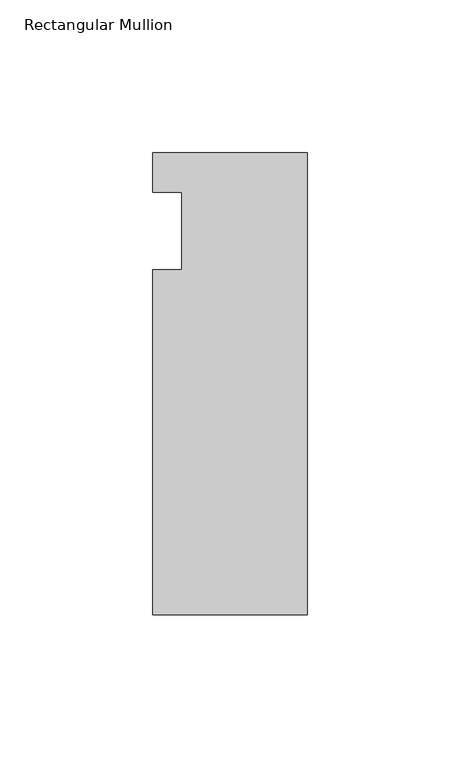
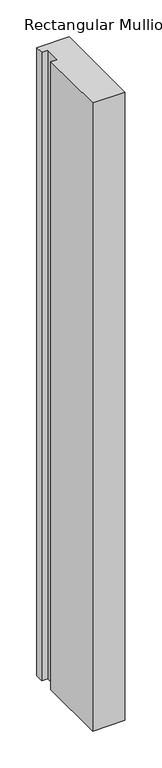
"""IFC4 building model written with IfcOpenShell, lengths in millimetres: member geometry, Rectangular Mullion."""

import ifcopenshell
import ifcopenshell.guid

model = None  # the IFC model being written
_history = None  # IfcOwnerHistory: only IFC2X3 demands one
_inside = {}  # id of a spatial element -> (the spatial element, [elements in it])
_under = {}  # id of a project, library or spatial element -> (it, [spatial elements below it])
_declared = {}  # id of a project -> (the project, [libraries it declares])
_typed = {}  # id of a type object -> (the type object, [elements of that type])
_made_of = {}  # id of a material, layer set ... -> (it, [elements and type objects made of it])


def new_model(schema):
    """Start an empty IFC model of exactly this schema.

    Asked for "IFC4X3", IfcOpenShell would pick the latest addendum, in which some entities
    have other attributes; the version numbers below select the first issue.
    IFC2X3 requires an IfcOwnerHistory on every rooted entity: one is made here for all.
    """
    global model, _history
    if schema == "IFC4X3":
        model = ifcopenshell.file(schema_version=(4, 3, 0, 0))
    else:
        model = ifcopenshell.file(schema=schema)
    _inside.clear()
    _under.clear()
    _declared.clear()
    _typed.clear()
    _made_of.clear()
    _history = None
    if model.schema == "IFC2X3":
        org = make("IfcOrganization", Name="unknown")
        user = make(
            "IfcPersonAndOrganization",
            ThePerson=make("IfcPerson", FamilyName="unknown"),
            TheOrganization=org,
        )
        app = make(
            "IfcApplication",
            ApplicationDeveloper=org,
            Version="unknown",
            ApplicationFullName="unknown",
            ApplicationIdentifier="unknown",
        )
        _history = make(
            "IfcOwnerHistory",
            OwningUser=user,
            OwningApplication=app,
            ChangeAction="ADDED",
            CreationDate=0,
        )
    return model


def make(cls, **values):
    """One entity of the class cls with the attributes given. An attribute that is None is left unset."""
    return model.create_entity(
        cls, **{name: value for name, value in values.items() if value is not None}
    )


def rooted(cls, **values):
    """An entity with a GlobalId (a new one), such as an element, a storey or a relation."""
    return make(cls, GlobalId=ifcopenshell.guid.new(), OwnerHistory=_history, **values)


def si_unit(unit_type, name, prefix=None):
    """IfcSIUnit, for example si_unit("LENGTHUNIT", "METRE", prefix="MILLI")."""
    return make("IfcSIUnit", UnitType=unit_type, Prefix=prefix, Name=name)


def assignment(units):
    """IfcUnitAssignment: the units of a project."""
    return None if units is None else make("IfcUnitAssignment", Units=units)


def point(xyz):
    """IfcCartesianPoint."""
    return None if xyz is None else make("IfcCartesianPoint", Coordinates=xyz)


def direction(xyz):
    """IfcDirection."""
    return None if xyz is None else make("IfcDirection", DirectionRatios=xyz)


def frame(location, z_axis=None, x_axis=None):
    """IfcAxis2Placement3D, a coordinate frame: its origin and axes. An axis left out is left unset."""
    return make(
        "IfcAxis2Placement3D",
        Location=point(location),
        Axis=direction(z_axis),
        RefDirection=direction(x_axis),
    )


def origin():
    """The frame at (0, 0, 0) with its axes left unset."""
    return frame((0.0, 0.0, 0.0))


def place(relative_to, where):
    """IfcLocalPlacement: puts the frame where relative to a parent placement (None: the world)."""
    return make(
        "IfcLocalPlacement", PlacementRelTo=relative_to, RelativePlacement=where
    )


def context(
    kind, dimensions, precision=None, world=None, true_north=None, identifier=None
):
    """IfcGeometricRepresentationContext, for example the 3D "Model" context."""
    return make(
        "IfcGeometricRepresentationContext",
        ContextIdentifier=identifier,
        ContextType=kind,
        CoordinateSpaceDimension=dimensions,
        Precision=precision,
        WorldCoordinateSystem=world,
        TrueNorth=true_north,
    )


def project(units=None, contexts=None):
    """IfcProject with its units and contexts."""
    return rooted(
        "IfcProject",
        Name="project",
        RepresentationContexts=contexts,
        UnitsInContext=assignment(units),
    )


def spatial(cls, under=None, at=None, **own):
    """A site, building, storey or space (cls), placed at a placement, below another one or the project."""
    s = rooted(cls, ObjectPlacement=at, **own)
    if under is not None:
        _under.setdefault(under.id(), (under, []))[1].append(s)
    return s


def polyline(points):
    """IfcPolyline through the points."""
    return make("IfcPolyline", Points=[point(p) for p in points])


def outline(outer, holes=None, kind="AREA"):
    """IfcArbitraryClosedProfileDef: a profile drawn as a closed curve; with holes, ...WithVoids."""
    if holes is None:
        return make("IfcArbitraryClosedProfileDef", ProfileType=kind, OuterCurve=outer)
    return make(
        "IfcArbitraryProfileDefWithVoids",
        ProfileType=kind,
        OuterCurve=outer,
        InnerCurves=holes,
    )


def extrude(swept, where, along, depth):
    """IfcExtrudedAreaSolid: the profile swept, set in the frame where, extruded along a direction by depth."""
    return make(
        "IfcExtrudedAreaSolid",
        SweptArea=swept,
        Position=where,
        ExtrudedDirection=direction(along),
        Depth=depth,
    )


def shape(context_of_items, identifier, shape_type, items):
    """IfcShapeRepresentation: the items that make up one representation, for example the "Body"."""
    return make(
        "IfcShapeRepresentation",
        ContextOfItems=context_of_items,
        RepresentationIdentifier=identifier,
        RepresentationType=shape_type,
        Items=items,
    )


def source(mapping_origin, context_of_items, identifier, shape_type, items):
    """IfcRepresentationMap: a shape defined once, which mapped items show again and again."""
    return make(
        "IfcRepresentationMap",
        MappingOrigin=mapping_origin,
        MappedRepresentation=shape(context_of_items, identifier, shape_type, items),
    )


def transform(
    local_origin,
    x_axis=None,
    y_axis=None,
    z_axis=None,
    scale=None,
    scale2=None,
    scale3=None,
    uniform=True,
):
    """IfcCartesianTransformationOperator3D, or its non-uniform kind. x_axis, y_axis, z_axis: its Axis1, 2, 3."""
    if uniform:
        return make(
            "IfcCartesianTransformationOperator3D",
            Axis1=direction(x_axis),
            Axis2=direction(y_axis),
            LocalOrigin=point(local_origin),
            Scale=scale,
            Axis3=direction(z_axis),
        )
    return make(
        "IfcCartesianTransformationOperator3DnonUniform",
        Axis1=direction(x_axis),
        Axis2=direction(y_axis),
        LocalOrigin=point(local_origin),
        Scale=scale,
        Axis3=direction(z_axis),
        Scale2=scale2,
        Scale3=scale3,
    )


def mapped(mapping_source, mapping_target):
    """IfcMappedItem: shows the shape of a source again, moved by a transform."""
    return make(
        "IfcMappedItem", MappingSource=mapping_source, MappingTarget=mapping_target
    )


def made_of(thing, what):
    """Note that an element or type object is made of a material, layer set ...; save() writes the relation."""
    if what is not None:
        _made_of.setdefault(what.id(), (what, []))[1].append(thing)
    return thing


def element(
    cls,
    number,
    at=None,
    inside=None,
    cuts=None,
    type_object=None,
    material=None,
    context=None,
    identifier="Body",
    shape_type=None,
    held_by="IfcProductDefinitionShape",
    body=None,
    shapes=None,
    **own,
):
    """One element of the class cls, such as IfcWall. Its Tag is "e" and its number.

    at: its placement. inside: the storey or other place that contains it. cuts: it is an
    opening in that element (IfcRelVoidsElement). A single representation is given by context,
    identifier, shape_type and body (its items); several are given by shapes. held_by: the class
    of the entity that holds the representations. save() writes the other relations.
    """
    e = rooted(cls, Tag="e%d" % number, ObjectPlacement=at, **own)
    if body is not None:
        shapes = [shape(context, identifier, shape_type, body)]
    if shapes is not None:
        e.Representation = make(held_by, Representations=shapes)
    if inside is not None:
        _inside.setdefault(inside.id(), (inside, []))[1].append(e)
    if cuts is not None:
        rooted(
            "IfcRelVoidsElement", RelatingBuildingElement=cuts, RelatedOpeningElement=e
        )
    if type_object is not None:
        _typed.setdefault(type_object.id(), (type_object, []))[1].append(e)
    return made_of(e, material)


def aggregate(whole, parts):
    """IfcRelAggregates: a whole, such as a stair, and the parts it consists of."""
    return rooted("IfcRelAggregates", RelatingObject=whole, RelatedObjects=parts)


def save(model, path):
    """Write the relations noted so far, then the file.

    IfcRelAggregates (storeys below a building ...), IfcRelContainedInSpatialStructure (elements
    in a storey), IfcRelDefinesByType, IfcRelAssociatesMaterial and IfcRelDeclares: one each for
    every whole, place, type object, material and project.
    """
    for whole, parts in _under.values():
        aggregate(whole, parts)
    for where, things in _inside.values():
        rooted(
            "IfcRelContainedInSpatialStructure",
            RelatedElements=things,
            RelatingStructure=where,
        )
    for kind, things in _typed.values():
        rooted("IfcRelDefinesByType", RelatedObjects=things, RelatingType=kind)
    for what, things in _made_of.values():
        rooted("IfcRelAssociatesMaterial", RelatedObjects=things, RelatingMaterial=what)
    for by, libraries in _declared.values():
        rooted("IfcRelDeclares", RelatingContext=by, RelatedDefinitions=libraries)
    model.write(path)


def rectangular_mullion_75038c24(model_context):
    return source(origin(), model_context, "Body", "SweptSolid", [
        extrude(outline(polyline([(-50.8, 25.7961253), (0.0, 25.7961253), (0.0, -125.8036906), (-50.8, -125.8036906), (-50.8, -12.7), (-41.275, -12.7), (-41.275, 12.7), (-50.8, 12.7), (-50.8, 25.7961253)])), frame((0.0, 0.0, -1042.56492), z_axis=(0.0, 0.0, 1.0), x_axis=(1.0, 0.0, 0.0)), (0.0, 0.0, 1.0), 1042.56492),
    ])


if __name__ == "__main__":
    model = new_model("IFC4")
    model_context = context("Model", 3, world=origin())
    ifc_project = project(units=[si_unit("LENGTHUNIT", "METRE", prefix="MILLI")], contexts=[model_context])
    site = spatial("IfcSite", under=ifc_project)
    building = spatial("IfcBuilding", under=site)
    placement = place(None, origin())
    rectangular_mullion_shape = rectangular_mullion_75038c24(model_context)
    element("IfcMember", 1, ObjectType="Rectangular Mullion", at=placement, inside=building, context=model_context, shape_type="MappedRepresentation", body=[
        mapped(rectangular_mullion_shape, transform((0.0, 0.0, 0.0), x_axis=(1.0, 0.0, 0.0), y_axis=(0.0, 1.0, 0.0), z_axis=(0.0, 0.0, 1.0))),
    ])
    save(model, "model.ifc")
